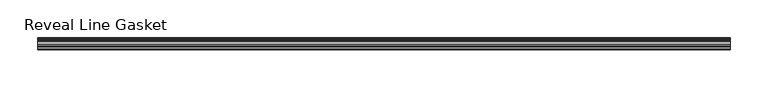
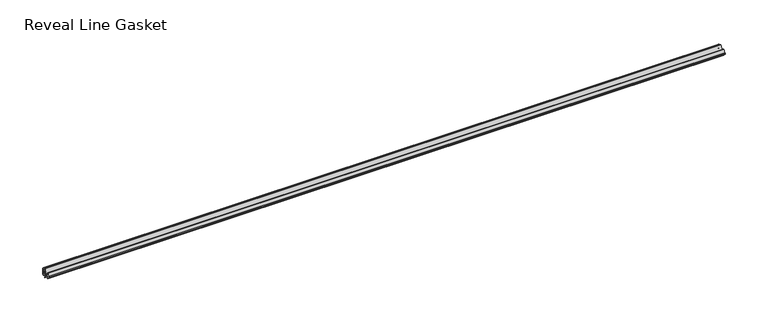
"""IFC4 building model written with IfcOpenShell, lengths in millimetres: furniture geometry, Reveal Line Gasket."""

import ifcopenshell
import ifcopenshell.guid

model = None  # the IFC model being written
_history = None  # IfcOwnerHistory: only IFC2X3 demands one
_inside = {}  # id of a spatial element -> (the spatial element, [elements in it])
_under = {}  # id of a project, library or spatial element -> (it, [spatial elements below it])
_declared = {}  # id of a project -> (the project, [libraries it declares])
_typed = {}  # id of a type object -> (the type object, [elements of that type])
_made_of = {}  # id of a material, layer set ... -> (it, [elements and type objects made of it])


def new_model(schema):
    """Start an empty IFC model of exactly this schema.

    Asked for "IFC4X3", IfcOpenShell would pick the latest addendum, in which some entities
    have other attributes; the version numbers below select the first issue.
    IFC2X3 requires an IfcOwnerHistory on every rooted entity: one is made here for all.
    """
    global model, _history
    if schema == "IFC4X3":
        model = ifcopenshell.file(schema_version=(4, 3, 0, 0))
    else:
        model = ifcopenshell.file(schema=schema)
    _inside.clear()
    _under.clear()
    _declared.clear()
    _typed.clear()
    _made_of.clear()
    _history = None
    if model.schema == "IFC2X3":
        org = make("IfcOrganization", Name="unknown")
        user = make(
            "IfcPersonAndOrganization",
            ThePerson=make("IfcPerson", FamilyName="unknown"),
            TheOrganization=org,
        )
        app = make(
            "IfcApplication",
            ApplicationDeveloper=org,
            Version="unknown",
            ApplicationFullName="unknown",
            ApplicationIdentifier="unknown",
        )
        _history = make(
            "IfcOwnerHistory",
            OwningUser=user,
            OwningApplication=app,
            ChangeAction="ADDED",
            CreationDate=0,
        )
    return model


def make(cls, **values):
    """One entity of the class cls with the attributes given. An attribute that is None is left unset."""
    return model.create_entity(
        cls, **{name: value for name, value in values.items() if value is not None}
    )


def rooted(cls, **values):
    """An entity with a GlobalId (a new one), such as an element, a storey or a relation."""
    return make(cls, GlobalId=ifcopenshell.guid.new(), OwnerHistory=_history, **values)


def si_unit(unit_type, name, prefix=None):
    """IfcSIUnit, for example si_unit("LENGTHUNIT", "METRE", prefix="MILLI")."""
    return make("IfcSIUnit", UnitType=unit_type, Prefix=prefix, Name=name)


def assignment(units):
    """IfcUnitAssignment: the units of a project."""
    return None if units is None else make("IfcUnitAssignment", Units=units)


def point(xyz):
    """IfcCartesianPoint."""
    return None if xyz is None else make("IfcCartesianPoint", Coordinates=xyz)


def direction(xyz):
    """IfcDirection."""
    return None if xyz is None else make("IfcDirection", DirectionRatios=xyz)


def frame(location, z_axis=None, x_axis=None):
    """IfcAxis2Placement3D, a coordinate frame: its origin and axes. An axis left out is left unset."""
    return make(
        "IfcAxis2Placement3D",
        Location=point(location),
        Axis=direction(z_axis),
        RefDirection=direction(x_axis),
    )


def frame_2d(location, x_axis=None):
    """IfcAxis2Placement2D, a coordinate frame in the plane: its origin and x axis."""
    return make(
        "IfcAxis2Placement2D", Location=point(location), RefDirection=direction(x_axis)
    )


def origin():
    """The frame at (0, 0, 0) with its axes left unset."""
    return frame((0.0, 0.0, 0.0))


def place(relative_to, where):
    """IfcLocalPlacement: puts the frame where relative to a parent placement (None: the world)."""
    return make(
        "IfcLocalPlacement", PlacementRelTo=relative_to, RelativePlacement=where
    )


def context(
    kind, dimensions, precision=None, world=None, true_north=None, identifier=None
):
    """IfcGeometricRepresentationContext, for example the 3D "Model" context."""
    return make(
        "IfcGeometricRepresentationContext",
        ContextIdentifier=identifier,
        ContextType=kind,
        CoordinateSpaceDimension=dimensions,
        Precision=precision,
        WorldCoordinateSystem=world,
        TrueNorth=true_north,
    )


def project(units=None, contexts=None):
    """IfcProject with its units and contexts."""
    return rooted(
        "IfcProject",
        Name="project",
        RepresentationContexts=contexts,
        UnitsInContext=assignment(units),
    )


def spatial(cls, under=None, at=None, **own):
    """A site, building, storey or space (cls), placed at a placement, below another one or the project."""
    s = rooted(cls, ObjectPlacement=at, **own)
    if under is not None:
        _under.setdefault(under.id(), (under, []))[1].append(s)
    return s


def polyline(points):
    """IfcPolyline through the points."""
    return make("IfcPolyline", Points=[point(p) for p in points])


def circle_curve(where, radius):
    """IfcCircle in the frame where."""
    return make("IfcCircle", Position=where, Radius=radius)


def trimmed(basis, trim1, trim2, sense, master):
    """IfcTrimmedCurve: the piece of a basis curve between two trims."""
    return make(
        "IfcTrimmedCurve",
        BasisCurve=basis,
        Trim1=trim1,
        Trim2=trim2,
        SenseAgreement=sense,
        MasterRepresentation=master,
    )


def segment(curve, same_sense, transition):
    """IfcCompositeCurveSegment."""
    return make(
        "IfcCompositeCurveSegment",
        Transition=transition,
        SameSense=same_sense,
        ParentCurve=curve,
    )


def composite_curve(segments, self_intersect=None):
    """IfcCompositeCurve: segments joined end to end."""
    return make("IfcCompositeCurve", Segments=segments, SelfIntersect=self_intersect)


def outline(outer, holes=None, kind="AREA"):
    """IfcArbitraryClosedProfileDef: a profile drawn as a closed curve; with holes, ...WithVoids."""
    if holes is None:
        return make("IfcArbitraryClosedProfileDef", ProfileType=kind, OuterCurve=outer)
    return make(
        "IfcArbitraryProfileDefWithVoids",
        ProfileType=kind,
        OuterCurve=outer,
        InnerCurves=holes,
    )


def extrude(swept, where, along, depth):
    """IfcExtrudedAreaSolid: the profile swept, set in the frame where, extruded along a direction by depth."""
    return make(
        "IfcExtrudedAreaSolid",
        SweptArea=swept,
        Position=where,
        ExtrudedDirection=direction(along),
        Depth=depth,
    )


def shape(context_of_items, identifier, shape_type, items):
    """IfcShapeRepresentation: the items that make up one representation, for example the "Body"."""
    return make(
        "IfcShapeRepresentation",
        ContextOfItems=context_of_items,
        RepresentationIdentifier=identifier,
        RepresentationType=shape_type,
        Items=items,
    )


def source(mapping_origin, context_of_items, identifier, shape_type, items):
    """IfcRepresentationMap: a shape defined once, which mapped items show again and again."""
    return make(
        "IfcRepresentationMap",
        MappingOrigin=mapping_origin,
        MappedRepresentation=shape(context_of_items, identifier, shape_type, items),
    )


def transform(
    local_origin,
    x_axis=None,
    y_axis=None,
    z_axis=None,
    scale=None,
    scale2=None,
    scale3=None,
    uniform=True,
):
    """IfcCartesianTransformationOperator3D, or its non-uniform kind. x_axis, y_axis, z_axis: its Axis1, 2, 3."""
    if uniform:
        return make(
            "IfcCartesianTransformationOperator3D",
            Axis1=direction(x_axis),
            Axis2=direction(y_axis),
            LocalOrigin=point(local_origin),
            Scale=scale,
            Axis3=direction(z_axis),
        )
    return make(
        "IfcCartesianTransformationOperator3DnonUniform",
        Axis1=direction(x_axis),
        Axis2=direction(y_axis),
        LocalOrigin=point(local_origin),
        Scale=scale,
        Axis3=direction(z_axis),
        Scale2=scale2,
        Scale3=scale3,
    )


def mapped(mapping_source, mapping_target):
    """IfcMappedItem: shows the shape of a source again, moved by a transform."""
    return make(
        "IfcMappedItem", MappingSource=mapping_source, MappingTarget=mapping_target
    )


def made_of(thing, what):
    """Note that an element or type object is made of a material, layer set ...; save() writes the relation."""
    if what is not None:
        _made_of.setdefault(what.id(), (what, []))[1].append(thing)
    return thing


def element(
    cls,
    number,
    at=None,
    inside=None,
    cuts=None,
    type_object=None,
    material=None,
    context=None,
    identifier="Body",
    shape_type=None,
    held_by="IfcProductDefinitionShape",
    body=None,
    shapes=None,
    **own,
):
    """One element of the class cls, such as IfcWall. Its Tag is "e" and its number.

    at: its placement. inside: the storey or other place that contains it. cuts: it is an
    opening in that element (IfcRelVoidsElement). A single representation is given by context,
    identifier, shape_type and body (its items); several are given by shapes. held_by: the class
    of the entity that holds the representations. save() writes the other relations.
    """
    e = rooted(cls, Tag="e%d" % number, ObjectPlacement=at, **own)
    if body is not None:
        shapes = [shape(context, identifier, shape_type, body)]
    if shapes is not None:
        e.Representation = make(held_by, Representations=shapes)
    if inside is not None:
        _inside.setdefault(inside.id(), (inside, []))[1].append(e)
    if cuts is not None:
        rooted(
            "IfcRelVoidsElement", RelatingBuildingElement=cuts, RelatedOpeningElement=e
        )
    if type_object is not None:
        _typed.setdefault(type_object.id(), (type_object, []))[1].append(e)
    return made_of(e, material)


def aggregate(whole, parts):
    """IfcRelAggregates: a whole, such as a stair, and the parts it consists of."""
    return rooted("IfcRelAggregates", RelatingObject=whole, RelatedObjects=parts)


def save(model, path):
    """Write the relations noted so far, then the file.

    IfcRelAggregates (storeys below a building ...), IfcRelContainedInSpatialStructure (elements
    in a storey), IfcRelDefinesByType, IfcRelAssociatesMaterial and IfcRelDeclares: one each for
    every whole, place, type object, material and project.
    """
    for whole, parts in _under.values():
        aggregate(whole, parts)
    for where, things in _inside.values():
        rooted(
            "IfcRelContainedInSpatialStructure",
            RelatedElements=things,
            RelatingStructure=where,
        )
    for kind, things in _typed.values():
        rooted("IfcRelDefinesByType", RelatedObjects=things, RelatingType=kind)
    for what, things in _made_of.values():
        rooted("IfcRelAssociatesMaterial", RelatedObjects=things, RelatingMaterial=what)
    for by, libraries in _declared.values():
        rooted("IfcRelDeclares", RelatingContext=by, RelatedDefinitions=libraries)
    model.write(path)


def reveal_line_gasket_1e26f7ad(model_context):
    return source(origin(), model_context, "Body", "SweptSolid", [
        extrude(outline(composite_curve([segment(polyline([(7.6326998, 1603.2), (7.6326998, 1597.2), (7.4091917, 1596.2445073), (6.8813059, 1595.3115316)]), True, "CONTINUOUS"), segment(trimmed(circle_curve(frame_2d((6.5243141, 1595.5135207)), 0.4101739), [point((6.8813059, 1595.3115316))], [point((6.1246704, 1595.6058653))], False, "CARTESIAN"), True, "CONTINUOUS"), segment(polyline([(6.1246704, 1595.6058653), (6.3626997, 1597.3020914), (6.3626997, 1599.3345473)]), True, "CONTINUOUS"), segment(trimmed(circle_curve(frame_2d((5.6959605, 1598.9180742)), 0.786124), [point((6.3626997, 1599.3345473))], [point((5.0926996, 1599.422125))], True, "CARTESIAN"), True, "CONTINUOUS"), segment(polyline([(5.0926996, 1599.422125), (0.7492996, 1599.422125), (3.7293824, 1594.2604705)]), True, "CONTINUOUS"), segment(trimmed(circle_curve(frame_2d((3.3132479, 1594.1950239)), 0.4212495), [point((3.7293824, 1594.2604705))], [point((3.0485022, 1593.8673642))], False, "CARTESIAN"), True, "CONTINUOUS"), segment(polyline([(3.0485022, 1593.8673642), (-0.5742594, 1599.422125), (-4.8262978, 1599.422125), (-3.1660374, 1596.5464703)]), True, "CONTINUOUS"), segment(trimmed(circle_curve(frame_2d((-3.5978728, 1596.4881145)), 0.4357605), [point((-3.1660374, 1596.5464703))], [point((-3.864328, 1596.1433119))], False, "CARTESIAN"), True, "CONTINUOUS"), segment(polyline([(-3.864328, 1596.1433119), (-6.1944059, 1599.422125), (-7.6326998, 1599.422125), (-7.6326998, 1600.977875), (-6.1944059, 1600.977875), (-3.864328, 1604.2566881)]), True, "CONTINUOUS"), segment(trimmed(circle_curve(frame_2d((-3.5978728, 1603.9118855)), 0.4357605), [point((-3.864328, 1604.2566881))], [point((-3.1660374, 1603.8535297))], False, "CARTESIAN"), True, "CONTINUOUS"), segment(polyline([(-3.1660374, 1603.8535297), (-4.8262978, 1600.977875), (-0.5742594, 1600.977875), (3.0485022, 1606.5326358)]), True, "CONTINUOUS"), segment(trimmed(circle_curve(frame_2d((3.3132479, 1606.2049761)), 0.4212495), [point((3.0485022, 1606.5326358))], [point((3.7293824, 1606.1395295))], False, "CARTESIAN"), True, "CONTINUOUS"), segment(polyline([(3.7293824, 1606.1395295), (0.7492996, 1600.977875), (5.0926996, 1600.977875)]), True, "CONTINUOUS"), segment(trimmed(circle_curve(frame_2d((5.6959605, 1601.4819258)), 0.786124), [point((5.0926996, 1600.977875))], [point((6.3626997, 1601.0654527))], True, "CARTESIAN"), True, "CONTINUOUS"), segment(polyline([(6.3626997, 1601.0654527), (6.3626997, 1603.0979086), (6.1246704, 1604.7941347)]), True, "CONTINUOUS"), segment(trimmed(circle_curve(frame_2d((6.5243141, 1604.8864793)), 0.4101739), [point((6.1246704, 1604.7941347))], [point((6.8813059, 1605.0884684))], False, "CARTESIAN"), True, "CONTINUOUS"), segment(polyline([(6.8813059, 1605.0884684), (7.4091917, 1604.1554927), (7.6326998, 1603.2)]), True, "CONTINUOUS")], self_intersect=False)), frame((-455.3204, 0.0, 0.0), z_axis=(1.0, 0.0, 0.0), x_axis=(0.0, 1.0, 0.0)), (0.0, 0.0, 1.0), 910.6408),
    ])


if __name__ == "__main__":
    model = new_model("IFC4")
    model_context = context("Model", 3, world=origin())
    ifc_project = project(units=[si_unit("LENGTHUNIT", "METRE", prefix="MILLI")], contexts=[model_context])
    site = spatial("IfcSite", under=ifc_project)
    building = spatial("IfcBuilding", under=site)
    placement = place(None, origin())
    reveal_line_gasket_shape = reveal_line_gasket_1e26f7ad(model_context)
    element("IfcFurniture", 1, ObjectType="Reveal Line Gasket", at=placement, inside=building, context=model_context, shape_type="MappedRepresentation", body=[
        mapped(reveal_line_gasket_shape, transform((0.0, 0.0, 0.0), x_axis=(1.0, 0.0, 0.0), y_axis=(0.0, 1.0, 0.0), z_axis=(0.0, 0.0, 1.0))),
    ])
    save(model, "model.ifc")
